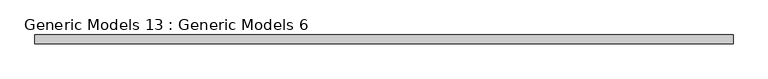
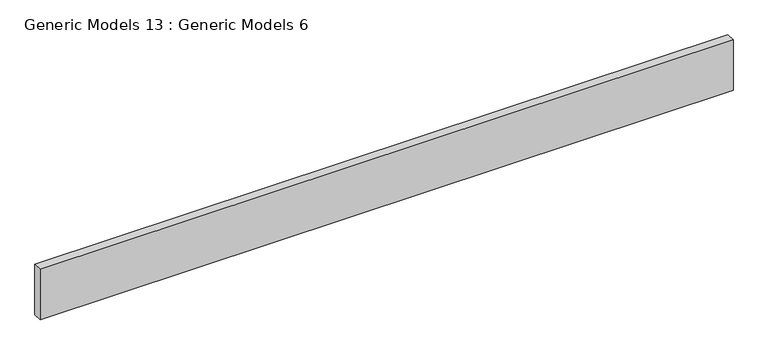
"""IFC4 building model written with IfcOpenShell, lengths in millimetres: proxy geometry, Generic Models 13 : Generic Models 6."""

from ifc_helpers import new_model, si_unit, frame, origin, place, context, project, spatial, polyline, outline, extrude, source, transform, mapped, element, save


def generic_models_13_generic_models_6_0b85093a(model_context):
    return source(origin(), model_context, "Body", "SweptSolid", [
        extrude(outline(polyline([(3529.632522, -31819.9202609), (3529.632522, -31794.5202609), (5520.7674664, -31794.5202609), (5520.7674664, -31819.9202609), (3529.632522, -31819.9202609)])), frame((0.0, 0.0, 65608.2), z_axis=(0.0, 0.0, 1.0), x_axis=(1.0, 0.0, 0.0)), (0.0, 0.0, 1.0), 152.4),
    ])


if __name__ == "__main__":
    model = new_model("IFC4")
    model_context = context("Model", 3, world=origin())
    ifc_project = project(units=[si_unit("LENGTHUNIT", "METRE", prefix="MILLI")], contexts=[model_context])
    site = spatial("IfcSite", under=ifc_project)
    building = spatial("IfcBuilding", under=site)
    placement = place(None, origin())
    generic_models_13_generic_models_6_shape = generic_models_13_generic_models_6_0b85093a(model_context)
    element("IfcBuildingElementProxy", 1, Name="Generic Models 13 : Generic Models 6", ObjectType="Generic Models 13 : Generic Models 6", at=placement, inside=building, context=model_context, shape_type="MappedRepresentation", body=[
        mapped(generic_models_13_generic_models_6_shape, transform((0.0, 0.0, 0.0), x_axis=(1.0, 0.0, 0.0), y_axis=(0.0, 1.0, 0.0), z_axis=(0.0, 0.0, 1.0))),
    ])
    save(model, "model.ifc")
